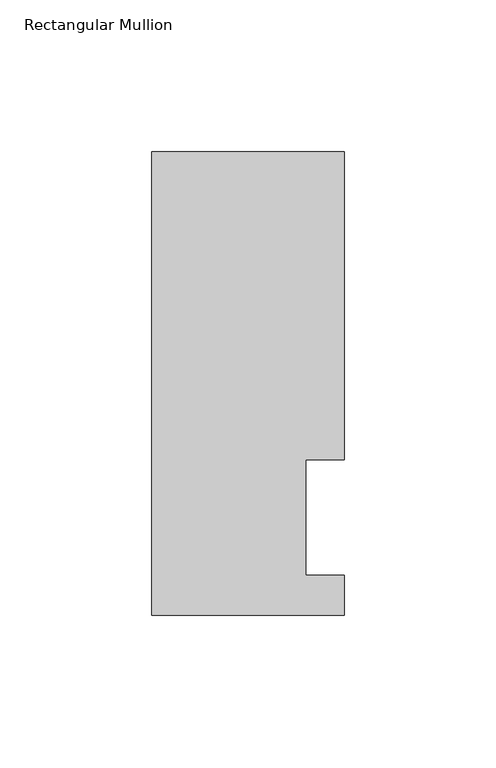
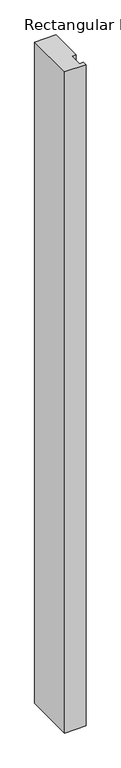
"""IFC4 building model written with IfcOpenShell, lengths in millimetres: member geometry, Rectangular Mullion."""

from ifc_helpers import new_model, si_unit, frame, origin, place, context, project, spatial, polyline, outline, extrude, source, transform, mapped, element, save


def rectangular_mullion_0431af3e(model_context):
    return source(origin(), model_context, "Body", "SweptSolid", [
        extrude(outline(polyline([(19.0627, 51.2960937), (19.0627, 13.1960937), (31.75, 13.1960937), (31.75, 0.0134938), (-31.75, 0.0134938), (-31.75, 152.8960937), (31.75, 152.8960937), (31.75, 51.2960938), (19.0627, 51.2960937)])), frame((0.0, 0.0, -2057.4), z_axis=(0.0, 0.0, 1.0), x_axis=(1.0, 0.0, 0.0)), (0.0, 0.0, 1.0), 2057.4),
    ])


if __name__ == "__main__":
    model = new_model("IFC4")
    model_context = context("Model", 3, world=origin())
    ifc_project = project(units=[si_unit("LENGTHUNIT", "METRE", prefix="MILLI")], contexts=[model_context])
    site = spatial("IfcSite", under=ifc_project)
    building = spatial("IfcBuilding", under=site)
    placement = place(None, origin())
    rectangular_mullion_shape = rectangular_mullion_0431af3e(model_context)
    element("IfcMember", 1, ObjectType="Rectangular Mullion", at=placement, inside=building, context=model_context, shape_type="MappedRepresentation", body=[
        mapped(rectangular_mullion_shape, transform((0.0, 0.0, 0.0), x_axis=(1.0, 0.0, 0.0), y_axis=(0.0, 1.0, 0.0), z_axis=(0.0, 0.0, 1.0))),
    ])
    save(model, "model.ifc")
